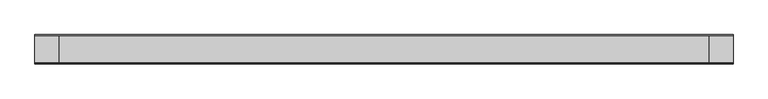
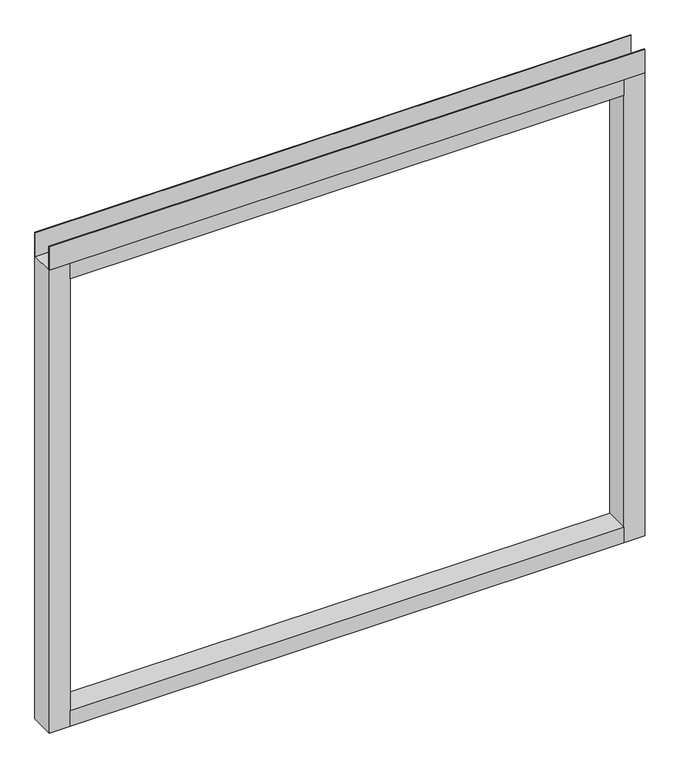
"""IFC4 building model written with IfcOpenShell, lengths in millimetres: furniture geometry."""

from ifc_helpers import new_model, si_unit, frame, origin, place, context, project, spatial, polyline, outline, extrude, source, transform, mapped, element, save


def furniture_1cbd3264(model_context):
    return source(origin(), model_context, "Body", "SweptSolid", [
        extrude(outline(polyline([(609.6, -23.8125), (609.6, -25.4), (-609.6, -25.4), (-609.6, -23.8125), (609.6, -23.8125)])), frame((0.0, 0.0, 1102.233), z_axis=(0.0, 0.0, 1.0), x_axis=(1.0, 0.0, 0.0)), (0.0, 0.0, 1.0), 51.435),
        extrude(outline(polyline([(609.6, 25.4), (609.6, 23.8125), (-609.6, 23.8125), (-609.6, 25.4), (609.6, 25.4)])), frame((0.0, 0.0, 1102.233), z_axis=(0.0, 0.0, 1.0), x_axis=(1.0, 0.0, 0.0)), (0.0, 0.0, 1.0), 51.435),
        extrude(outline(polyline([(566.7375, -25.4), (-566.7375, -25.4), (-566.7375, 25.4), (566.7375, 25.4), (566.7375, -25.4)])), frame((0.0, 0.0, 1069.34), z_axis=(0.0, 0.0, 1.0), x_axis=(1.0, 0.0, 0.0)), (0.0, 0.0, 1.0), 32.893),
        extrude(outline(polyline([(566.7375, -25.4), (-566.7375, -25.4), (-566.7375, 25.4), (566.7375, 25.4), (566.7375, -25.4)])), frame((0.0, 0.0, 101.6), z_axis=(0.0, 0.0, 1.0), x_axis=(1.0, 0.0, 0.0)), (0.0, 0.0, 1.0), 32.893),
        extrude(outline(polyline([(-566.7375, -25.4), (-609.6, -25.4), (-609.6, 25.4), (-566.7375, 25.4), (-566.7375, -25.4)])), frame((0.0, 0.0, 101.6), z_axis=(0.0, 0.0, 1.0), x_axis=(1.0, 0.0, 0.0)), (0.0, 0.0, 1.0), 1000.633),
        extrude(outline(polyline([(609.6, -25.4), (566.7375, -25.4), (566.7375, 25.4), (609.6, 25.4), (609.6, -25.4)])), frame((0.0, 0.0, 101.6), z_axis=(0.0, 0.0, 1.0), x_axis=(1.0, 0.0, 0.0)), (0.0, 0.0, 1.0), 1000.633),
    ])


if __name__ == "__main__":
    model = new_model("IFC4")
    model_context = context("Model", 3, world=origin())
    ifc_project = project(units=[si_unit("LENGTHUNIT", "METRE", prefix="MILLI")], contexts=[model_context])
    site = spatial("IfcSite", under=ifc_project)
    building = spatial("IfcBuilding", under=site)
    placement = place(None, origin())
    furniture_shape = furniture_1cbd3264(model_context)
    element("IfcFurniture", 1, at=placement, inside=building, context=model_context, shape_type="MappedRepresentation", body=[
        mapped(furniture_shape, transform((0.0, 0.0, 0.0), x_axis=(1.0, 0.0, 0.0), y_axis=(0.0, 1.0, 0.0), z_axis=(0.0, 0.0, 1.0))),
    ])
    save(model, "model.ifc")
